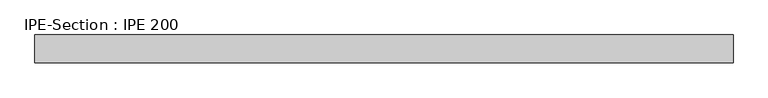
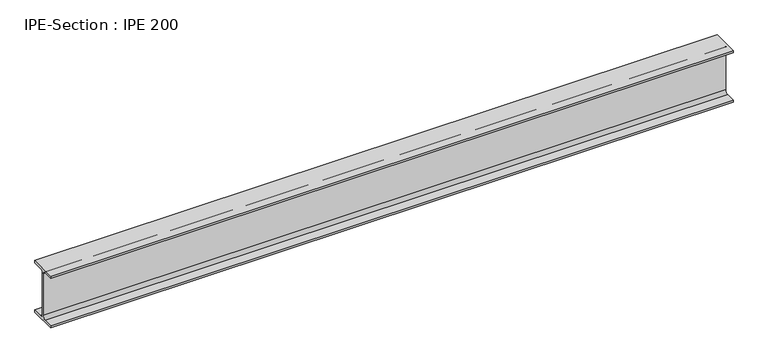
"""IFC4 building model written with IfcOpenShell, lengths in millimetres: beam geometry, IPE-Section : IPE 200."""

from ifc_helpers import new_model, si_unit, point, frame, frame_2d, origin, place, context, project, spatial, polyline, circle_curve, trimmed, segment, composite_curve, outline, extrude, source, transform, mapped, element, save


def ipe_section_ipe_200_08614975(model_context):
    return source(origin(), model_context, "Body", "SweptSolid", [
        extrude(outline(composite_curve([segment(polyline([(-50.0, -91.5), (-14.8, -91.5)]), True, "CONTINUOUS"), segment(trimmed(circle_curve(frame_2d((-14.8, -79.5)), 12.0), [point((-14.8, -91.5))], [point((-2.8, -79.5))], True, "CARTESIAN"), True, "CONTINUOUS"), segment(polyline([(-2.8, -79.5), (-2.8, 79.5)]), True, "CONTINUOUS"), segment(trimmed(circle_curve(frame_2d((-14.8, 79.5)), 12.0), [point((-2.8, 79.5))], [point((-14.8, 91.5))], True, "CARTESIAN"), True, "CONTINUOUS"), segment(polyline([(-14.8, 91.5), (-50.0, 91.5), (-50.0, 100.0), (50.0, 100.0), (50.0, 91.5), (14.8, 91.5)]), True, "CONTINUOUS"), segment(trimmed(circle_curve(frame_2d((14.8, 79.5)), 12.0), [point((14.8, 91.5))], [point((2.8, 79.5))], True, "CARTESIAN"), True, "CONTINUOUS"), segment(polyline([(2.8, 79.5), (2.8, -79.5)]), True, "CONTINUOUS"), segment(trimmed(circle_curve(frame_2d((14.8, -79.5)), 12.0), [point((2.8, -79.5))], [point((14.8, -91.5))], True, "CARTESIAN"), True, "CONTINUOUS"), segment(polyline([(14.8, -91.5), (50.0, -91.5), (50.0, -100.0), (-50.0, -100.0), (-50.0, -91.5)]), True, "CONTINUOUS")], self_intersect=False)), frame((-1210.1754588, 0.0, 0.0), z_axis=(1.0, 0.0, 0.0), x_axis=(0.0, 1.0, 0.0)), (0.0, 0.0, 1.0), 2492.7198709),
    ])


if __name__ == "__main__":
    model = new_model("IFC4")
    model_context = context("Model", 3, world=origin())
    ifc_project = project(units=[si_unit("LENGTHUNIT", "METRE", prefix="MILLI")], contexts=[model_context])
    site = spatial("IfcSite", under=ifc_project)
    building = spatial("IfcBuilding", under=site)
    placement = place(None, origin())
    ipe_section_ipe_200_shape = ipe_section_ipe_200_08614975(model_context)
    element("IfcBeam", 1, ObjectType="IPE-Section : IPE 200", at=placement, inside=building, context=model_context, shape_type="MappedRepresentation", body=[
        mapped(ipe_section_ipe_200_shape, transform((0.0, 0.0, 0.0), x_axis=(1.0, 0.0, 0.0), y_axis=(0.0, 1.0, 0.0), z_axis=(0.0, 0.0, 1.0))),
    ])
    save(model, "model.ifc")
